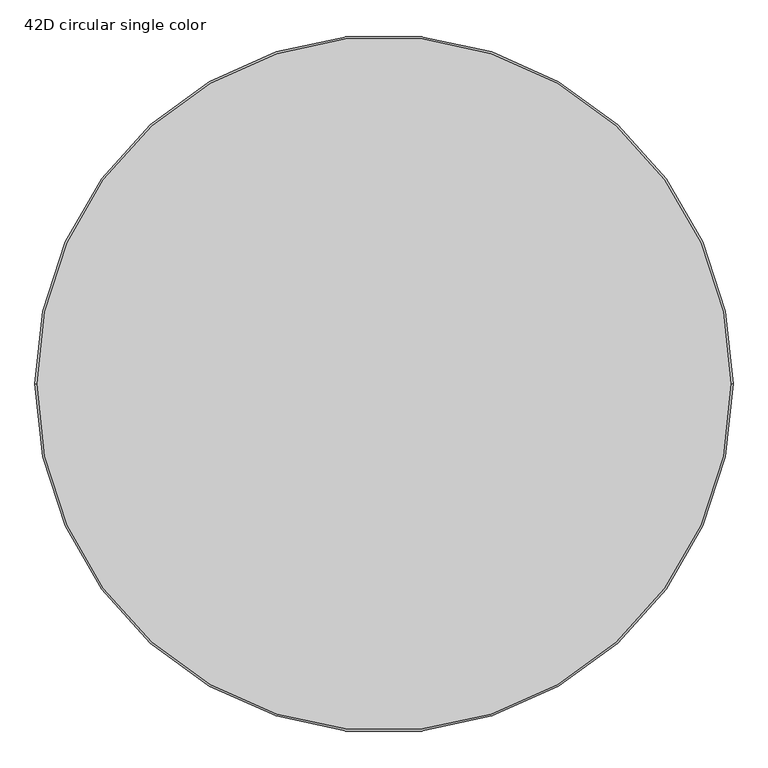
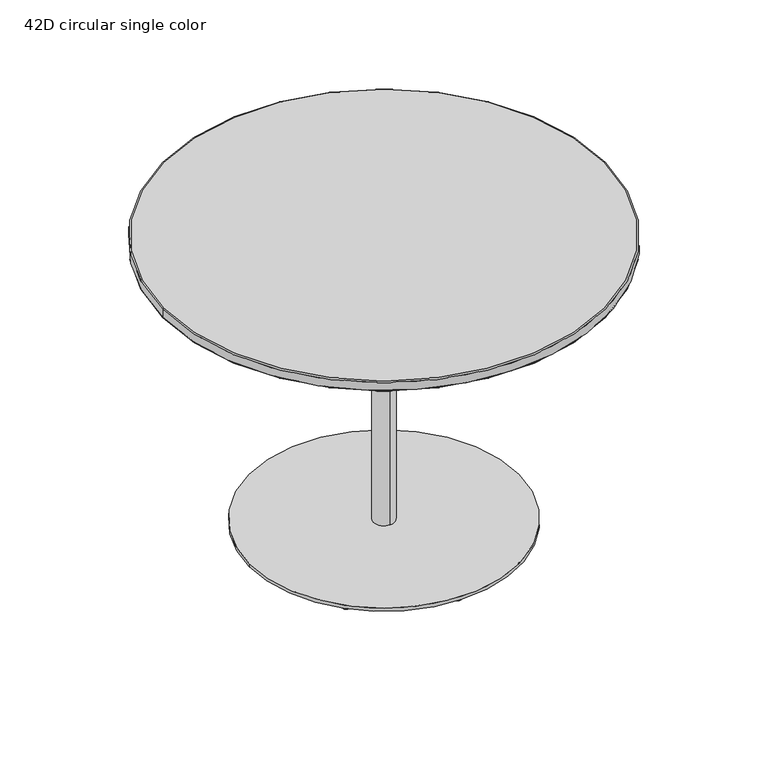
"""IFC4 building model written with IfcOpenShell, lengths in millimetres: furniture geometry, 42D circular single color."""

from ifc_helpers import new_model, si_unit, point, frame, origin, origin_2d, place, context, project, spatial, polyline, circle_curve, ellipse_curve, trimmed, segment, composite_curve, outline, extrude, source, transform, mapped, element, save
from ifc_brep_helpers import plane_surface, cylinder_surface, revolved_surface, advanced_brep


def furniture_42d_circular_single_color_8b1851d0(model_context):
    return source(origin(), model_context, "Body", "SolidModel", [
        advanced_brep(
        [(-520.0508148, 0.0, 715.0035998), (520.0508148, 0.0, 715.0035998), (520.0508148, 0.0, 715.1833853), (-520.0508148, 0.0, 715.1833853), (-533.4, 0.0, 717.5435998), (533.4, 0.0, 717.5435998), (530.86, 0.0, 715.0035998), (-530.86, 0.0, 715.0035998), (-533.4, 0.0, 737.4636), (533.4, 0.0, 737.4636), (-530.86, 0.0, 740.0036), (530.86, 0.0, 740.0036)],
        [
            (0, 1, circle_curve(frame((0.0, 0.0, 715.0035998), z_axis=(0.0, 0.0, -1.0), x_axis=(1.0, 0.0, 0.0)), 520.0508148)),
            (1, 2),
            (2, 3, circle_curve(frame((0.0, 0.0, 715.1833853), z_axis=(0.0, 0.0, 1.0), x_axis=(1.0, 0.0, 0.0)), 520.0508148)),
            (3, 0),
            (4, 5, circle_curve(frame((0.0, 0.0, 717.5435998), z_axis=(0.0, 0.0, -1.0), x_axis=(1.0, 0.0, 0.0)), 533.4)),
            (5, 6, circle_curve(frame((530.86, 0.0, 717.5435998), z_axis=(0.0, 1.0, 0.0), x_axis=(-1.0, 0.0, 0.0)), 2.54)),
            (6, 7, circle_curve(frame((0.0, 0.0, 715.0035998), z_axis=(0.0, 0.0, 1.0), x_axis=(1.0, 0.0, 0.0)), 530.86)),
            (7, 4, circle_curve(frame((-530.86, 0.0, 717.5435998), z_axis=(0.0, 1.0, 0.0), x_axis=(1.0, 0.0, 0.0)), 2.54)),
            (4, 8),
            (8, 9, circle_curve(frame((0.0, 0.0, 737.4636), z_axis=(0.0, 0.0, -1.0), x_axis=(1.0, 0.0, 0.0)), 533.4)),
            (9, 5),
            (8, 10, circle_curve(frame((-530.86, 0.0, 737.4636), z_axis=(0.0, 1.0, 0.0), x_axis=(1.0, 0.0, 0.0)), 2.54)),
            (10, 11, circle_curve(frame((0.0, 0.0, 740.0036), z_axis=(0.0, 0.0, -1.0), x_axis=(1.0, 0.0, 0.0)), 530.86)),
            (11, 9, circle_curve(frame((530.86, 0.0, 737.4636), z_axis=(0.0, 1.0, 0.0), x_axis=(-1.0, 0.0, 0.0)), 2.54)),
            (1, 0, circle_curve(frame((0.0, 0.0, 715.0035998), z_axis=(0.0, 0.0, -1.0), x_axis=(-1.0, 0.0, 0.0)), 520.0508148)),
            (3, 2, circle_curve(frame((0.0, 0.0, 715.1833853), z_axis=(0.0, 0.0, 1.0), x_axis=(-1.0, 0.0, 0.0)), 520.0508148)),
            (6, 7, circle_curve(frame((0.0, 0.0, 715.0035998), z_axis=(0.0, 0.0, -1.0), x_axis=(-1.0, 0.0, 0.0)), 530.86)),
            (5, 4, circle_curve(frame((0.0, 0.0, 717.5435998), z_axis=(0.0, 0.0, -1.0), x_axis=(-1.0, 0.0, 0.0)), 533.4)),
            (9, 8, circle_curve(frame((0.0, 0.0, 737.4636), z_axis=(0.0, 0.0, -1.0), x_axis=(-1.0, 0.0, 0.0)), 533.4)),
            (11, 10, circle_curve(frame((0.0, 0.0, 740.0036), z_axis=(0.0, 0.0, -1.0), x_axis=(-1.0, 0.0, 0.0)), 530.86)),
        ],
        [
            revolved_surface(polyline([(520.0508148, 0.0, 715.1833853), (520.0508148, 0.0, 715.0035998)]), (0.0, 0.0, 740.0036), (0.0, 0.0, 1.0)),
            revolved_surface(trimmed(ellipse_curve(frame((530.86, 0.0, 717.5435998), z_axis=(0.0, -1.0, 0.0), x_axis=(-1.0, 0.0, 0.0)), 2.54, 2.54), [point((530.86, 0.0, 715.0035998))], [point((533.4, 0.0, 717.5435998))], True, "CARTESIAN"), (0.0, 0.0, 740.0036), (0.0, 0.0, 1.0)),
            cylinder_surface(frame((0.0, 0.0, 740.0036), z_axis=(0.0, 0.0, 1.0), x_axis=(1.0, 0.0, 0.0)), 533.4),
            revolved_surface(trimmed(ellipse_curve(frame((530.86, 0.0, 737.4636), z_axis=(0.0, -1.0, 0.0), x_axis=(-1.0, 0.0, 0.0)), 2.54, 2.54), [point((533.4, 0.0, 737.4636))], [point((530.86, 0.0, 740.0036))], True, "CARTESIAN"), (0.0, 0.0, 740.0036), (0.0, 0.0, 1.0)),
            revolved_surface(polyline([(-520.0508148, 0.0, 715.1833853), (-520.0508148, 0.0, 715.0035998)]), (0.0, 0.0, 740.0036), (0.0, 0.0, 1.0)),
            plane_surface(frame((0.0, 0.0, 715.0035998), z_axis=(0.0, 0.0, -1.0), x_axis=(-1.0, 0.0, 0.0))),
            revolved_surface(trimmed(ellipse_curve(frame((-530.86, 0.0, 717.5435998), z_axis=(0.0, 1.0, 0.0), x_axis=(1.0, 0.0, 0.0)), 2.54, 2.54), [point((-530.86, 0.0, 715.0035998))], [point((-533.4, 0.0, 717.5435998))], True, "CARTESIAN"), (0.0, 0.0, 740.0036), (0.0, 0.0, 1.0)),
            cylinder_surface(frame((0.0, 0.0, 740.0036), z_axis=(0.0, 0.0, 1.0), x_axis=(-1.0, 0.0, 0.0)), 533.4),
            revolved_surface(trimmed(ellipse_curve(frame((-530.86, 0.0, 737.4636), z_axis=(0.0, 1.0, 0.0), x_axis=(1.0, 0.0, 0.0)), 2.54, 2.54), [point((-533.4, 0.0, 737.4636))], [point((-530.86, 0.0, 740.0036))], True, "CARTESIAN"), (0.0, 0.0, 740.0036), (0.0, 0.0, 1.0)),
            plane_surface(frame((0.0, 0.0, 740.0036), z_axis=(0.0, 0.0, 1.0), x_axis=(-1.0, 0.0, 0.0))),
            plane_surface(frame((-520.0508148, 0.0, 715.1833853), z_axis=(0.0, 0.0, -1.0), x_axis=(0.0, 1.0, 0.0))),
        ],
        [
            (0, [[1, 2, 3, 4]]),
            (1, [[5, 6, 7, 8]]),
            (2, [[-5, 9, 10, 11]]),
            (3, [[-10, 12, 13, 14]]),
            (4, [[15, -4, 16, -2]]),
            (5, [[-7, 17], [-1, -15]]),
            (6, [[-6, 18, -8, -17]]),
            (7, [[-11, 19, -9, -18]]),
            (8, [[-14, 20, -12, -19]]),
            (9, [[-13, -20]]),
            (10, [[-3, -16]]),
        ],
    ),
        advanced_brep(
        [(0.0, 25.3994968, 17.0000116), (0.0, -25.3994968, 17.0000116), (0.0, 25.3994968, 709.0036027), (0.0, -25.3994968, 709.0036027), (-199.9996, -191.6176, 715.0035998), (-191.6176, -199.9996, 715.0035998), (191.6176, -199.9996, 715.0035998), (199.9996, -191.6176, 715.0035998), (199.9996, 191.6176, 715.0035998), (191.6176, 199.9996, 715.0035998), (-191.6176, 199.9996, 715.0035998), (-199.9996, 191.6176, 715.0035998), (-199.9996, -191.6176, 709.0036027), (-199.9996, 191.6176, 709.0036027), (-191.6176, 199.9996, 709.0036027), (191.6176, 199.9996, 709.0036027), (199.9996, 191.6176, 709.0036027), (199.9996, -191.6176, 709.0036027), (191.6176, -199.9996, 709.0036027), (-191.6176, -199.9996, 709.0036027)],
        [
            (0, 1, circle_curve(frame((0.0, 0.0, 17.0000116), z_axis=(0.0, 0.0, -1.0), x_axis=(0.0, -1.0, 0.0)), 25.3994968)),
            (1, 0, circle_curve(frame((0.0, 0.0, 17.0000116), z_axis=(0.0, 0.0, -1.0), x_axis=(0.0, -1.0, 0.0)), 25.3994968)),
            (0, 2),
            (2, 3, circle_curve(frame((0.0, 0.0, 709.0036027), z_axis=(0.0, 0.0, -1.0), x_axis=(0.0, -1.0, 0.0)), 25.3994968)),
            (3, 1),
            (3, 2, circle_curve(frame((0.0, 0.0, 709.0036027), z_axis=(0.0, 0.0, -1.0), x_axis=(0.0, -1.0, 0.0)), 25.3994968)),
            (4, 5, circle_curve(frame((-191.6176, -191.6176, 715.0035998), z_axis=(0.0, 0.0, 1.0), x_axis=(0.0, -1.0, 0.0)), 8.382)),
            (5, 6),
            (6, 7, circle_curve(frame((191.6176, -191.6176, 715.0035998), z_axis=(0.0, 0.0, 1.0), x_axis=(0.0, -1.0, 0.0)), 8.382)),
            (7, 8),
            (8, 9, circle_curve(frame((191.6176, 191.6176, 715.0035998), z_axis=(0.0, 0.0, 1.0), x_axis=(0.0, -1.0, 0.0)), 8.382)),
            (9, 10),
            (10, 11, circle_curve(frame((-191.6176, 191.6176, 715.0035998), z_axis=(0.0, 0.0, 1.0), x_axis=(0.0, -1.0, 0.0)), 8.382)),
            (11, 4),
            (12, 13),
            (13, 14, circle_curve(frame((-191.6176, 191.6176, 709.0036027), z_axis=(0.0, 0.0, -1.0), x_axis=(0.0, -1.0, 0.0)), 8.382)),
            (14, 15),
            (15, 16, circle_curve(frame((191.6176, 191.6176, 709.0036027), z_axis=(0.0, 0.0, -1.0), x_axis=(0.0, -1.0, 0.0)), 8.382)),
            (16, 17),
            (17, 18, circle_curve(frame((191.6176, -191.6176, 709.0036027), z_axis=(0.0, 0.0, -1.0), x_axis=(0.0, -1.0, 0.0)), 8.382)),
            (18, 19),
            (19, 12, circle_curve(frame((-191.6176, -191.6176, 709.0036027), z_axis=(0.0, 0.0, -1.0), x_axis=(0.0, -1.0, 0.0)), 8.382)),
            (11, 13),
            (12, 4),
            (10, 14),
            (9, 15),
            (8, 16),
            (7, 17),
            (6, 18),
            (5, 19),
        ],
        [
            plane_surface(frame((0.0, -25.3994968, 17.0000116), z_axis=(0.0, 0.0, -1.0), x_axis=(-1.0, 0.0, 0.0))),
            cylinder_surface(frame((0.0, 0.0, 709.0036027), z_axis=(0.0, 0.0, -1.0), x_axis=(0.0, -1.0, 0.0)), 25.3994968),
            plane_surface(frame((-199.9996, 191.6176, 715.0035998), z_axis=(0.0, 0.0, 1.0), x_axis=(0.0, -1.0, 0.0))),
            plane_surface(frame((-199.9996, 191.6176, 709.0036027), z_axis=(0.0, 0.0, -1.0), x_axis=(0.0, 1.0, 0.0))),
            plane_surface(frame((-199.9996, -191.6176, 709.0036027), z_axis=(-1.0, 0.0, 0.0), x_axis=(0.0, 0.0, 1.0))),
            cylinder_surface(frame((-191.6176, 191.6176, 715.0035998), z_axis=(0.0, 0.0, -1.0), x_axis=(0.0, -1.0, 0.0)), 8.382),
            plane_surface(frame((-191.6176, 199.9996, 709.0036027), z_axis=(0.0, 1.0, 0.0), x_axis=(0.0, 0.0, 1.0))),
            cylinder_surface(frame((191.6176, 191.6176, 715.0035998), z_axis=(0.0, 0.0, -1.0), x_axis=(0.0, -1.0, 0.0)), 8.382),
            plane_surface(frame((199.9996, 191.6176, 709.0036027), z_axis=(1.0, 0.0, 0.0), x_axis=(0.0, 0.0, 1.0))),
            cylinder_surface(frame((191.6176, -191.6176, 715.0035998), z_axis=(0.0, 0.0, -1.0), x_axis=(0.0, -1.0, 0.0)), 8.382),
            plane_surface(frame((191.6176, -199.9996, 709.0036027), z_axis=(0.0, -1.0, 0.0), x_axis=(0.0, 0.0, 1.0))),
            cylinder_surface(frame((-191.6176, -191.6176, 715.0035998), z_axis=(0.0, 0.0, -1.0), x_axis=(0.0, -1.0, 0.0)), 8.382),
        ],
        [
            (0, [[1, 2]]),
            (1, [[-1, 3, 4, 5]]),
            (1, [[-2, -5, 6, -3]]),
            (2, [[7, 8, 9, 10, 11, 12, 13, 14]]),
            (3, [[15, 16, 17, 18, 19, 20, 21, 22], [-4, -6]]),
            (4, [[-14, 23, -15, 24]]),
            (5, [[-13, 25, -16, -23]]),
            (6, [[-12, 26, -17, -25]]),
            (7, [[-11, 27, -18, -26]]),
            (8, [[-10, 28, -19, -27]]),
            (9, [[-9, 29, -20, -28]]),
            (10, [[-8, 30, -21, -29]]),
            (11, [[-7, -24, -22, -30]]),
        ],
    ),
        advanced_brep(
        [(-226.2491315, 217.4222317, 9.0000059), (-208.5953319, 217.4222317, 9.0000059), (-225.2502886, 217.4222317, 0.0), (-209.5941747, 217.4222317, 0.0)],
        [
            (0, 1, circle_curve(frame((-217.4222317, 217.4222317, 9.0000059), z_axis=(0.0, 0.0, 1.0), x_axis=(-1.0, 0.0, 0.0)), 8.8268998)),
            (1, 0, circle_curve(frame((-217.4222317, 217.4222317, 9.0000059), z_axis=(0.0, 0.0, 1.0), x_axis=(1.0, 0.0, 0.0)), 8.8268998)),
            (2, 3, circle_curve(frame((-217.4222317, 217.4222317, 0.0), z_axis=(0.0, 0.0, -1.0), x_axis=(1.0, 0.0, 0.0)), 7.828057)),
            (3, 2, circle_curve(frame((-217.4222317, 217.4222317, 0.0), z_axis=(0.0, 0.0, -1.0), x_axis=(-1.0, 0.0, 0.0)), 7.828057)),
            (0, 2),
            (3, 1),
        ],
        [
            plane_surface(frame((-217.4222317, 217.4222317, 9.0000059), z_axis=(0.0, 0.0, 1.0), x_axis=(0.0, -1.0, 0.0))),
            plane_surface(frame((-217.4222317, 217.4222317, 0.0), z_axis=(0.0, 0.0, -1.0), x_axis=(0.0, -1.0, 0.0))),
            revolved_surface(polyline([(-209.5941747130633, 217.4222317, 0.0), (-208.5953319, 217.4222317, 9.000005900000005)]), (-217.4222317, 217.4222317, -70.5341803), (0.0, 0.0, 1.0)),
            revolved_surface(polyline([(-225.2502886869367, 217.4222317, 0.0), (-226.2491315, 217.4222317, 9.000005900000005)]), (-217.4222317, 217.4222317, -70.5341803), (0.0, 0.0, 1.0)),
        ],
        [
            (0, [[1, 2]]),
            (1, [[3, 4]]),
            (2, [[-1, 5, -4, 6]]),
            (3, [[-2, -6, -3, -5]]),
        ],
    ),
        advanced_brep(
        [(-315.0614868, 0.0, 0.0), (-299.3182617, 0.0, 0.0), (-316.3660758, 0.0, 9.0000082), (-298.0136728, 0.0, 9.0000082)],
        [
            (0, 1, circle_curve(frame((-307.1898743, 0.0, 0.0), z_axis=(0.0, 0.0, -1.0), x_axis=(-1.0, 0.0, 0.0)), 7.8716125)),
            (1, 0, circle_curve(frame((-307.1898743, 0.0, 0.0), z_axis=(0.0, 0.0, -1.0), x_axis=(1.0, 0.0, 0.0)), 7.8716125)),
            (2, 3, circle_curve(frame((-307.1898743, 0.0, 9.0000082), z_axis=(0.0, 0.0, 1.0), x_axis=(1.0, 0.0, 0.0)), 9.1762015)),
            (3, 2, circle_curve(frame((-307.1898743, 0.0, 9.0000082), z_axis=(0.0, 0.0, 1.0), x_axis=(-1.0, 0.0, 0.0)), 9.1762015)),
            (1, 3),
            (2, 0),
        ],
        [
            plane_surface(frame((-307.1898743, 0.0, 0.0), z_axis=(0.0, 0.0, -1.0), x_axis=(0.0, -1.0, 0.0))),
            plane_surface(frame((-307.1898743, 0.0, 9.0000082), z_axis=(0.0, 0.0, 1.0), x_axis=(0.0, -1.0, 0.0))),
            revolved_surface(polyline([(-299.3182617732435, 0.0, 0.0), (-298.0136728, 0.0, 9.000008199999996)]), (-307.1898743, 0.0, -54.3041362), (0.0, 0.0, 1.0)),
            revolved_surface(polyline([(-315.0614868267565, 0.0, 0.0), (-316.3660758, 0.0, 9.000008199999996)]), (-307.1898743, 0.0, -54.3041362), (0.0, 0.0, 1.0)),
        ],
        [
            (0, [[1, 2]]),
            (1, [[3, 4]]),
            (2, [[-2, 5, -3, 6]]),
            (3, [[-1, -6, -4, -5]]),
        ],
    ),
        advanced_brep(
        [(-226.2491315, -217.4222317, 9.0000059), (-208.5953319, -217.4222317, 9.0000059), (-225.2502886, -217.4222317, 0.0), (-209.5941747, -217.4222317, 0.0)],
        [
            (0, 1, circle_curve(frame((-217.4222317, -217.4222317, 9.0000059), z_axis=(0.0, 0.0, 1.0), x_axis=(-1.0, 0.0, 0.0)), 8.8268998)),
            (1, 0, circle_curve(frame((-217.4222317, -217.4222317, 9.0000059), z_axis=(0.0, 0.0, 1.0), x_axis=(1.0, 0.0, 0.0)), 8.8268998)),
            (2, 3, circle_curve(frame((-217.4222317, -217.4222317, 0.0), z_axis=(0.0, 0.0, -1.0), x_axis=(1.0, 0.0, 0.0)), 7.828057)),
            (3, 2, circle_curve(frame((-217.4222317, -217.4222317, 0.0), z_axis=(0.0, 0.0, -1.0), x_axis=(-1.0, 0.0, 0.0)), 7.828057)),
            (1, 3),
            (2, 0),
        ],
        [
            plane_surface(frame((-217.4222317, -217.4222317, 9.0000059), z_axis=(0.0, 0.0, 1.0), x_axis=(0.0, -1.0, 0.0))),
            plane_surface(frame((-217.4222317, -217.4222317, 0.0), z_axis=(0.0, 0.0, -1.0), x_axis=(0.0, -1.0, 0.0))),
            revolved_surface(polyline([(-225.2502886869367, -217.4222317, 0.0), (-226.2491315, -217.4222317, 9.000005900000005)]), (-217.4222317, -217.4222317, -70.5341803), (0.0, 0.0, 1.0)),
            revolved_surface(polyline([(-209.5941747130633, -217.4222317, 0.0), (-208.5953319, -217.4222317, 9.000005900000005)]), (-217.4222317, -217.4222317, -70.5341803), (0.0, 0.0, 1.0)),
        ],
        [
            (0, [[1, 2]]),
            (1, [[3, 4]]),
            (2, [[-2, 5, -3, 6]]),
            (3, [[-1, -6, -4, -5]]),
        ],
    ),
        advanced_brep(
        [(0.0, 315.0614868, 0.0), (0.0, 299.3182617, 0.0), (0.0, 316.3660758, 9.0000082), (0.0, 298.0136728, 9.0000082)],
        [
            (0, 1, circle_curve(frame((0.0, 307.1898743, 0.0), z_axis=(0.0, 0.0, -1.0), x_axis=(3.1213805913561214e-12, 1.0, 0.0)), 7.8716125)),
            (1, 0, circle_curve(frame((0.0, 307.1898743, 0.0), z_axis=(0.0, 0.0, -1.0), x_axis=(-3.124611680505026e-12, -1.0, 0.0)), 7.8716125)),
            (2, 3, circle_curve(frame((0.0, 307.1898743, 9.0000082), z_axis=(0.0, 0.0, 1.0), x_axis=(-3.124611680505026e-12, -1.0, 0.0)), 9.1762015)),
            (3, 2, circle_curve(frame((0.0, 307.1898743, 9.0000082), z_axis=(0.0, 0.0, 1.0), x_axis=(3.1213805913561214e-12, 1.0, 0.0)), 9.1762015)),
            (1, 3),
            (2, 0),
        ],
        [
            plane_surface(frame((0.0, 307.1898743, 0.0), z_axis=(0.0, 0.0, -1.0), x_axis=(-1.0, 3.1278427696539056e-12, 0.0))),
            plane_surface(frame((0.0, 307.1898743, 9.0000082), z_axis=(0.0, 0.0, 1.0), x_axis=(-1.0, 3.1278427696539056e-12, 0.0))),
            revolved_surface(polyline([(0.0, 299.3182617732435, 0.0), (0.0, 298.0136728, 9.000008199999996)]), (0.0, 307.1898743, -54.3041362), (0.0, 0.0, 1.0)),
            revolved_surface(polyline([(0.0, 315.0614868267565, 0.0), (0.0, 316.3660758, 9.000008199999996)]), (0.0, 307.1898743, -54.3041362), (0.0, 0.0, 1.0)),
        ],
        [
            (0, [[1, 2]]),
            (1, [[3, 4]]),
            (2, [[-2, 5, -3, 6]]),
            (3, [[-1, -6, -4, -5]]),
        ],
    ),
        advanced_brep(
        [(0.0, -315.0614868, 0.0), (0.0, -299.3182617, 0.0), (0.0, -316.3660758, 9.0000082), (0.0, -298.0136728, 9.0000082)],
        [
            (0, 1, circle_curve(frame((0.0, -307.1898743, 0.0), z_axis=(0.0, 0.0, -1.0), x_axis=(-3.1215030560359742e-12, -1.0, 0.0)), 7.8716125)),
            (1, 0, circle_curve(frame((0.0, -307.1898743, 0.0), z_axis=(0.0, 0.0, -1.0), x_axis=(3.1247341451847847e-12, 1.0, 0.0)), 7.8716125)),
            (2, 3, circle_curve(frame((0.0, -307.1898743, 9.0000082), z_axis=(0.0, 0.0, 1.0), x_axis=(3.1247341451847847e-12, 1.0, 0.0)), 9.1762015)),
            (3, 2, circle_curve(frame((0.0, -307.1898743, 9.0000082), z_axis=(0.0, 0.0, 1.0), x_axis=(-3.1215030560359742e-12, -1.0, 0.0)), 9.1762015)),
            (0, 2),
            (3, 1),
        ],
        [
            plane_surface(frame((0.0, -307.1898743, 0.0), z_axis=(0.0, 0.0, -1.0), x_axis=(1.0, -3.12796523433382e-12, 0.0))),
            plane_surface(frame((0.0, -307.1898743, 9.0000082), z_axis=(0.0, 0.0, 1.0), x_axis=(1.0, -3.12796523433382e-12, 0.0))),
            revolved_surface(polyline([(0.0, -315.0614868267565, 0.0), (0.0, -316.3660758, 9.000008199999996)]), (0.0, -307.1898743, -54.3041362), (0.0, 0.0, 1.0)),
            revolved_surface(polyline([(0.0, -299.3182617732435, 0.0), (0.0, -298.0136728, 9.000008199999996)]), (0.0, -307.1898743, -54.3041362), (0.0, 0.0, 1.0)),
        ],
        [
            (0, [[1, 2]]),
            (1, [[3, 4]]),
            (2, [[-1, 5, -4, 6]]),
            (3, [[-2, -6, -3, -5]]),
        ],
    ),
        advanced_brep(
        [(226.2491315, 217.4222317, 9.0000059), (208.5953319, 217.4222317, 9.0000059), (225.2502886, 217.4222317, 0.0), (209.5941747, 217.4222317, 0.0)],
        [
            (0, 1, circle_curve(frame((217.4222317, 217.4222317, 9.0000059), z_axis=(0.0, 0.0, 1.0), x_axis=(1.0, 0.0, 0.0)), 8.8268998)),
            (1, 0, circle_curve(frame((217.4222317, 217.4222317, 9.0000059), z_axis=(0.0, 0.0, 1.0), x_axis=(-1.0, 0.0, 0.0)), 8.8268998)),
            (2, 3, circle_curve(frame((217.4222317, 217.4222317, 0.0), z_axis=(0.0, 0.0, -1.0), x_axis=(-1.0, 0.0, 0.0)), 7.828057)),
            (3, 2, circle_curve(frame((217.4222317, 217.4222317, 0.0), z_axis=(0.0, 0.0, -1.0), x_axis=(1.0, 0.0, 0.0)), 7.828057)),
            (1, 3),
            (2, 0),
        ],
        [
            plane_surface(frame((217.4222317, 217.4222317, 9.0000059), z_axis=(0.0, 0.0, 1.0), x_axis=(0.0, 1.0, 0.0))),
            plane_surface(frame((217.4222317, 217.4222317, 0.0), z_axis=(0.0, 0.0, -1.0), x_axis=(0.0, 1.0, 0.0))),
            revolved_surface(polyline([(225.2502886869367, 217.4222317, 0.0), (226.2491315, 217.4222317, 9.000005900000005)]), (217.4222317, 217.4222317, -70.5341803), (0.0, 0.0, 1.0)),
            revolved_surface(polyline([(209.5941747130633, 217.4222317, 0.0), (208.5953319, 217.4222317, 9.000005900000005)]), (217.4222317, 217.4222317, -70.5341803), (0.0, 0.0, 1.0)),
        ],
        [
            (0, [[1, 2]]),
            (1, [[3, 4]]),
            (2, [[-2, 5, -3, 6]]),
            (3, [[-1, -6, -4, -5]]),
        ],
    ),
        advanced_brep(
        [(226.2491315, -217.4222317, 9.0000059), (208.5953319, -217.4222317, 9.0000059), (225.2502886, -217.4222317, 0.0), (209.5941747, -217.4222317, 0.0)],
        [
            (0, 1, circle_curve(frame((217.4222317, -217.4222317, 9.0000059), z_axis=(0.0, 0.0, 1.0), x_axis=(1.0, 0.0, 0.0)), 8.8268998)),
            (1, 0, circle_curve(frame((217.4222317, -217.4222317, 9.0000059), z_axis=(0.0, 0.0, 1.0), x_axis=(-1.0, 0.0, 0.0)), 8.8268998)),
            (2, 3, circle_curve(frame((217.4222317, -217.4222317, 0.0), z_axis=(0.0, 0.0, -1.0), x_axis=(-1.0, 0.0, 0.0)), 7.828057)),
            (3, 2, circle_curve(frame((217.4222317, -217.4222317, 0.0), z_axis=(0.0, 0.0, -1.0), x_axis=(1.0, 0.0, 0.0)), 7.828057)),
            (0, 2),
            (3, 1),
        ],
        [
            plane_surface(frame((217.4222317, -217.4222317, 9.0000059), z_axis=(0.0, 0.0, 1.0), x_axis=(0.0, 1.0, 0.0))),
            plane_surface(frame((217.4222317, -217.4222317, 0.0), z_axis=(0.0, 0.0, -1.0), x_axis=(0.0, 1.0, 0.0))),
            revolved_surface(polyline([(209.5941747130633, -217.4222317, 0.0), (208.5953319, -217.4222317, 9.000005900000005)]), (217.4222317, -217.4222317, -70.5341803), (0.0, 0.0, 1.0)),
            revolved_surface(polyline([(225.2502886869367, -217.4222317, 0.0), (226.2491315, -217.4222317, 9.000005900000005)]), (217.4222317, -217.4222317, -70.5341803), (0.0, 0.0, 1.0)),
        ],
        [
            (0, [[1, 2]]),
            (1, [[3, 4]]),
            (2, [[-1, 5, -4, 6]]),
            (3, [[-2, -6, -3, -5]]),
        ],
    ),
        advanced_brep(
        [(315.0614868, 0.0, 0.0), (299.3182617, 0.0, 0.0), (316.3660758, 0.0, 9.0000082), (298.0136728, 0.0, 9.0000082)],
        [
            (0, 1, circle_curve(frame((307.1898743, 0.0, 0.0), z_axis=(0.0, 0.0, -1.0), x_axis=(1.0, 0.0, 0.0)), 7.8716125)),
            (1, 0, circle_curve(frame((307.1898743, 0.0, 0.0), z_axis=(0.0, 0.0, -1.0), x_axis=(-1.0, 0.0, 0.0)), 7.8716125)),
            (2, 3, circle_curve(frame((307.1898743, 0.0, 9.0000082), z_axis=(0.0, 0.0, 1.0), x_axis=(-1.0, 0.0, 0.0)), 9.1762015)),
            (3, 2, circle_curve(frame((307.1898743, 0.0, 9.0000082), z_axis=(0.0, 0.0, 1.0), x_axis=(1.0, 0.0, 0.0)), 9.1762015)),
            (0, 2),
            (3, 1),
        ],
        [
            plane_surface(frame((307.1898743, 0.0, 0.0), z_axis=(0.0, 0.0, -1.0), x_axis=(0.0, 1.0, 0.0))),
            plane_surface(frame((307.1898743, 0.0, 9.0000082), z_axis=(0.0, 0.0, 1.0), x_axis=(0.0, 1.0, 0.0))),
            revolved_surface(polyline([(315.0614868267565, 0.0, 0.0), (316.3660758, 0.0, 9.000008199999996)]), (307.1898743, 0.0, -54.3041362), (0.0, 0.0, 1.0)),
            revolved_surface(polyline([(299.3182617732435, 0.0, 0.0), (298.0136728, 0.0, 9.000008199999996)]), (307.1898743, 0.0, -54.3041362), (0.0, 0.0, 1.0)),
        ],
        [
            (0, [[1, 2]]),
            (1, [[3, 4]]),
            (2, [[-1, 5, -4, 6]]),
            (3, [[-2, -6, -3, -5]]),
        ],
    ),
        extrude(outline(composite_curve([segment(trimmed(circle_curve(origin_2d(), 325.0057), [point((325.0057, 0.0))], [point((-325.0057, 0.0))], False, "CARTESIAN"), True, "CONTINUOUS"), segment(trimmed(circle_curve(origin_2d(), 325.0057), [point((-325.0057, 0.0))], [point((325.0057, 0.0))], False, "CARTESIAN"), True, "CONTINUOUS")], self_intersect=False)), frame((0.0, 0.0, 9.0000076), z_axis=(0.0, 0.0, 1.0), x_axis=(1.0, 0.0, 0.0)), (0.0, 0.0, 1.0), 8.0000039),
    ])


if __name__ == "__main__":
    model = new_model("IFC4")
    model_context = context("Model", 3, world=origin())
    ifc_project = project(units=[si_unit("LENGTHUNIT", "METRE", prefix="MILLI")], contexts=[model_context])
    site = spatial("IfcSite", under=ifc_project)
    building = spatial("IfcBuilding", under=site)
    placement = place(None, origin())
    furniture_42d_circular_single_color_shape = furniture_42d_circular_single_color_8b1851d0(model_context)
    element("IfcFurniture", 1, ObjectType="42D circular single color", at=placement, inside=building, context=model_context, shape_type="MappedRepresentation", body=[
        mapped(furniture_42d_circular_single_color_shape, transform((0.0, 0.0, 0.0), x_axis=(1.0, 0.0, 0.0), y_axis=(0.0, 1.0, 0.0), z_axis=(0.0, 0.0, 1.0))),
    ])
    save(model, "model.ifc")
